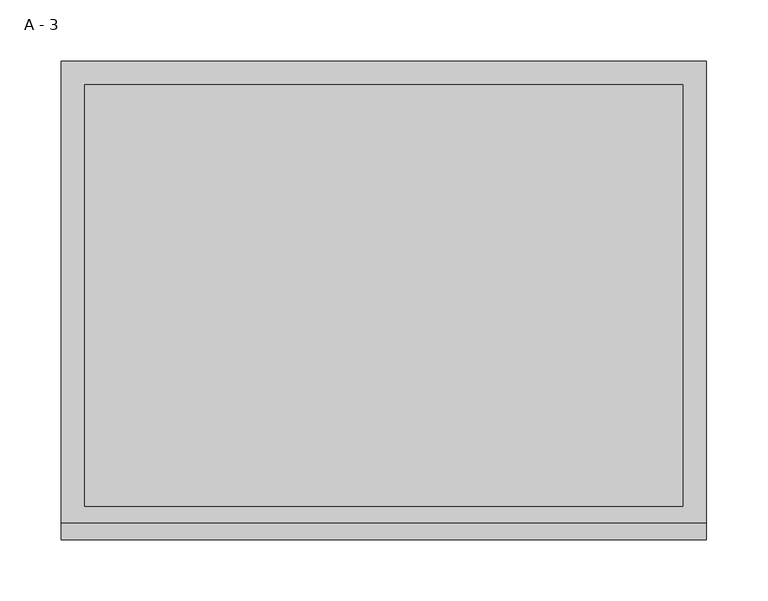
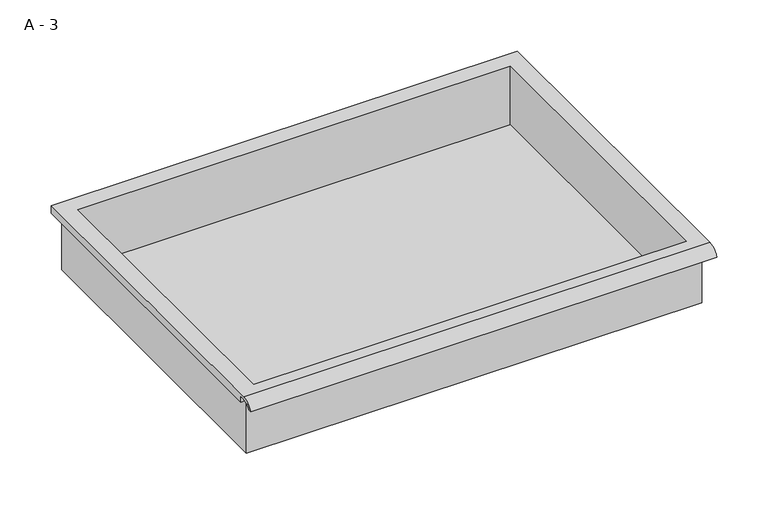
"""IFC4 building model written with IfcOpenShell, lengths in millimetres: furniture geometry, A - 3."""

from ifc_helpers import new_model, si_unit, frame, origin, place, context, project, spatial, polyline, circle_curve, source, transform, mapped, element, save
from ifc_brep_helpers import plane_surface, cylinder_surface, revolved_surface, advanced_brep


def a_3_416e9e2f(model_context):
    return source(origin(), model_context, "Body", "AdvancedBrep", [
        advanced_brep(
        [(-257.1076517, -176.2125, 792.39364), (257.2423483, -176.2125, 792.39364), (257.2423483, -176.2125, 855.89364), (263.5923483, -176.2125, 855.89364), (263.5923483, -176.2125, 862.2007741), (-263.4576517, -176.2125, 862.2007741), (-263.4576517, -176.2125, 855.89364), (-257.1076517, -176.2125, 855.89364), (257.2423483, 185.7375, 792.39364), (-257.1076517, 185.7375, 792.39364), (-257.1076517, 185.7375, 855.89364), (257.2423483, 185.7375, 855.89364), (263.5923483, -181.6070544, 865.41864), (263.5923483, 195.2625, 865.41864), (-263.4576517, 195.2625, 865.41864), (-263.4576517, -181.6070544, 865.41864), (244.5423483, -168.275, 865.41864), (-244.4076517, -168.275, 865.41864), (-244.4076517, 176.2125, 865.41864), (244.5423483, 176.2125, 865.41864), (263.5923483, -195.2625, 855.89364), (263.5923483, -191.8280601, 855.89364), (263.5923483, -180.4714815, 862.2007741), (263.5923483, 195.2625, 855.89364), (-263.4576517, 195.2625, 855.89364), (-263.4576517, -180.4714815, 862.2007741), (-263.4576517, -191.8280601, 855.89364), (-263.4576517, -195.2625, 855.89364), (-244.4076517, -168.275, 795.4198119), (244.5423483, -168.275, 795.4198119), (244.5423483, 176.2125, 795.4198119), (-244.4076517, 176.2125, 795.4198119)],
        [
            (0, 1),
            (1, 2),
            (2, 3),
            (3, 4),
            (4, 5),
            (5, 6),
            (6, 7),
            (7, 0),
            (8, 9),
            (9, 10),
            (10, 11),
            (11, 8),
            (0, 9),
            (8, 1),
            (11, 2),
            (12, 13),
            (13, 14),
            (14, 15),
            (15, 12),
            (16, 17),
            (17, 18),
            (18, 19),
            (19, 16),
            (7, 10),
            (12, 20, circle_curve(frame((263.5923483, -181.6070544, 850.8676259), z_axis=(1.0, 0.0, 0.0), x_axis=(0.0, 1.0, 0.0)), 14.5510141)),
            (20, 21),
            (21, 22, circle_curve(frame((263.5923483, -181.6070544, 850.8676259), z_axis=(-1.0, 0.0, 0.0), x_axis=(0.0, 1.0, 0.0)), 11.3898979)),
            (22, 4),
            (3, 23),
            (23, 13),
            (14, 24),
            (24, 6),
            (5, 25),
            (25, 26, circle_curve(frame((-263.4576517, -181.6070544, 850.8676259), z_axis=(1.0, 0.0, 0.0), x_axis=(0.0, 1.0, 0.0)), 11.3898979)),
            (26, 27),
            (27, 15, circle_curve(frame((-263.4576517, -181.6070544, 850.8676259), z_axis=(-1.0, 0.0, 0.0), x_axis=(0.0, 1.0, 0.0)), 14.5510141)),
            (27, 20),
            (26, 21),
            (25, 22),
            (24, 23),
            (28, 29),
            (29, 30),
            (30, 31),
            (31, 28),
            (28, 17),
            (16, 29),
            (19, 30),
            (18, 31),
        ],
        [
            plane_surface(frame((257.2423483, -176.2125, 792.39364), z_axis=(0.0, -1.0, 0.0), x_axis=(1.0, 0.0, 0.0))),
            plane_surface(frame((257.2423483, 185.7375, 792.39364), z_axis=(0.0, 1.0, 0.0), x_axis=(-1.0, 0.0, 0.0))),
            plane_surface(frame((-257.1076517, -176.2125, 792.39364), z_axis=(0.0, 0.0, -1.0), x_axis=(0.0, 1.0, 0.0))),
            plane_surface(frame((257.2423483, -176.2125, 792.39364), z_axis=(1.0, 0.0, 0.0), x_axis=(0.0, 1.0, 0.0))),
            plane_surface(frame((257.2423483, -176.2125, 865.41864), z_axis=(0.0, 0.0, 1.0), x_axis=(0.0, 1.0, 0.0))),
            plane_surface(frame((-257.1076517, -176.2125, 865.41864), z_axis=(-1.0, 0.0, 0.0), x_axis=(0.0, 1.0, 0.0))),
            plane_surface(frame((263.5923483, 195.2625, 865.41864), z_axis=(1.0, 0.0, 0.0), x_axis=(0.0, -1.0, 0.0))),
            plane_surface(frame((-263.4576517, 195.2625, 865.41864), z_axis=(-1.0, 0.0, 0.0), x_axis=(0.0, 1.0, 0.0))),
            cylinder_surface(frame((-263.4576517, -181.6070544, 850.8676259), z_axis=(1.0, 0.0, 0.0), x_axis=(0.0, 1.0, 0.0)), 14.5510141),
            plane_surface(frame((263.5923483, -195.2625, 855.89364), z_axis=(0.0, -7.291233251777287e-12, -1.0), x_axis=(-1.0, 0.0, 0.0))),
            revolved_surface(polyline([(-263.4576517, -170.21715650000002, 850.8676259), (263.59234829999997, -170.21715650000002, 850.8676259)]), (-263.4576517, -181.6070544, 850.8676259), (-1.0, 0.0, 0.0)),
            plane_surface(frame((263.5923483, -180.4714815, 862.2007741), z_axis=(0.0, -1.7988537739368317e-11, -1.0), x_axis=(-1.0, 0.0, 0.0))),
            plane_surface(frame((263.5923483, -176.2125, 855.89364), z_axis=(0.0, 0.0, -1.0), x_axis=(-1.0, 0.0, 0.0))),
            plane_surface(frame((263.5923483, 195.2625, 855.89364), z_axis=(0.0, 1.0, 0.0), x_axis=(-1.0, 0.0, 0.0))),
            plane_surface(frame((244.5423483, -168.275, 795.4198119), z_axis=(0.0, 0.0, 1.0), x_axis=(-1.0, 0.0, 0.0))),
            plane_surface(frame((-244.4076517, -168.275, 865.41864), z_axis=(0.0, 1.0, 0.0), x_axis=(0.0, 0.0, -1.0))),
            plane_surface(frame((244.5423483, -168.275, 865.41864), z_axis=(-1.0, 0.0, 0.0), x_axis=(0.0, 0.0, -1.0))),
            plane_surface(frame((244.5423483, 176.2125, 865.41864), z_axis=(0.0, -1.0, 0.0), x_axis=(0.0, 0.0, -1.0))),
            plane_surface(frame((-244.4076517, 176.2125, 865.41864), z_axis=(1.0, 0.0, 0.0), x_axis=(0.0, 0.0, -1.0))),
        ],
        [
            (0, [[1, 2, 3, 4, 5, 6, 7, 8]]),
            (1, [[9, 10, 11, 12]]),
            (2, [[-1, 13, -9, 14]]),
            (3, [[-14, -12, 15, -2]]),
            (4, [[16, 17, 18, 19], [20, 21, 22, 23]]),
            (5, [[-13, -8, 24, -10]]),
            (6, [[-16, 25, 26, 27, 28, -4, 29, 30]]),
            (7, [[31, 32, -6, 33, 34, 35, 36, -18]]),
            (8, [[-25, -19, -36, 37]]),
            (9, [[-26, -37, -35, 38]]),
            (10, [[-27, -38, -34, 39]]),
            (11, [[-28, -39, -33, -5]]),
            (12, [[-29, -3, -15, -11, -24, -7, -32, 40]]),
            (13, [[-30, -40, -31, -17]]),
            (14, [[41, 42, 43, 44]]),
            (15, [[-41, 45, -20, 46]]),
            (16, [[-42, -46, -23, 47]]),
            (17, [[-43, -47, -22, 48]]),
            (18, [[-44, -48, -21, -45]]),
        ],
    ),
    ])


if __name__ == "__main__":
    model = new_model("IFC4")
    model_context = context("Model", 3, world=origin())
    ifc_project = project(units=[si_unit("LENGTHUNIT", "METRE", prefix="MILLI")], contexts=[model_context])
    site = spatial("IfcSite", under=ifc_project)
    building = spatial("IfcBuilding", under=site)
    placement = place(None, origin())
    a_3_shape = a_3_416e9e2f(model_context)
    element("IfcFurniture", 1, ObjectType="A - 3", at=placement, inside=building, context=model_context, shape_type="MappedRepresentation", body=[
        mapped(a_3_shape, transform((0.0, 0.0, 0.0), x_axis=(1.0, 0.0, 0.0), y_axis=(0.0, 1.0, 0.0), z_axis=(0.0, 0.0, 1.0))),
    ])
    save(model, "model.ifc")
